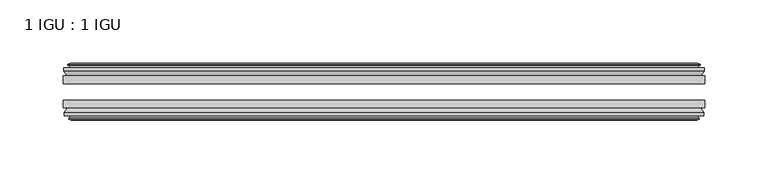
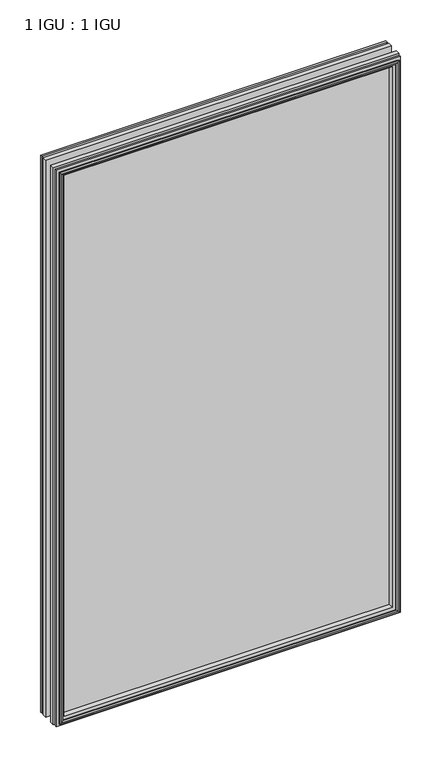
"""IFC4 building model written with IfcOpenShell, lengths in millimetres: plate geometry, 1 IGU : 1 IGU."""

from ifc_helpers import new_model, si_unit, frame, origin, place, context, project, spatial, polyline, outline, extrude, faceted_brep, source, transform, mapped, element, save


def plate_1_igu_1_igu_460e08af(model_context):
    return source(origin(), model_context, "Body", "SolidModel", [
        extrude(outline(polyline([(253.4841885, -19.5460937), (253.4841885, -25.8960938), (-253.4841885, -25.8960938), (-253.4841885, -19.5460937), (253.4841885, -19.5460937)])), frame((0.0, 0.0, -12.7), z_axis=(0.0, 0.0, 1.0), x_axis=(1.0, 0.0, 0.0)), (0.0, 0.0, 1.0), 863.6104046),
        extrude(outline(polyline([(-253.4841885, -44.9460938), (-253.4841885, -38.9186737), (253.4841885, -38.9186737), (253.4841885, -44.9460938), (-253.4841885, -44.9460938)])), frame((0.0, 0.0, -12.7), z_axis=(0.0, 0.0, 1.0), x_axis=(1.0, 0.0, 0.0)), (0.0, 0.0, 1.0), 863.6104046),
        faceted_brep([(-247.8961885, -53.6762907, 845.3224046), (-248.2771885, -51.2960937, 845.7034046), (-248.2771885, -51.2960937, -7.493), (-247.8961885, -53.6762907, -7.112), (-249.3117175, -53.2163575, 846.7379337), (-249.3117175, -53.2163575, -8.5275291), (-249.3117175, -54.0175717, 846.7379337), (-249.3117175, -54.0175717, -8.5275291), (-247.1341885, -54.7250937, 844.5604046), (-247.1341885, -54.7250937, -6.35), (-244.9566594, -54.0175717, 842.3828756), (-244.9566594, -54.0175717, -4.1724709), (-244.9566594, -53.2163575, 842.3828756), (-244.9566594, -53.2163575, -4.1724709), (-246.3721885, -53.6762907, 843.7984046), (-246.3721885, -53.6762907, -5.588), (-245.9911885, -51.2960937, 843.4174046), (-245.9911885, -51.2960937, -5.207), (-239.0664704, -44.9460937, 836.4926865), (-240.7841885, -51.2960937, 838.2104046), (-240.7841885, -51.2960937, 0.0), (-239.0664704, -44.9460937, 1.7177181), (-252.7221885, -48.3496937, 850.1484046), (-249.8878463, -44.9460937, 847.3140624), (-249.8878463, -44.9460937, -9.1036578), (-252.7221885, -48.3496937, -11.938), (-252.7221885, -51.2960937, 850.1484046), (-252.7221885, -51.2960937, -11.938), (248.2771885, -51.2960938, -7.493), (247.8961885, -53.6762907, -7.112), (249.3117175, -53.2163575, -8.5275291), (249.3117175, -54.0175717, -8.5275291), (247.1341885, -54.7250937, -6.35), (244.9566594, -54.0175717, -4.1724709), (244.9566594, -53.2163575, -4.1724709), (246.3721885, -53.6762907, -5.588), (245.9911885, -51.2960937, -5.207), (240.7841885, -51.2960937, 0.0), (239.0664704, -44.9460937, 1.7177181), (249.8878463, -44.9460937, -9.1036578), (252.7221885, -48.3496937, -11.938), (252.7221885, -51.2960938, -11.938), (248.2771885, -51.2960938, 845.7034046), (247.8961885, -53.6762907, 845.3224046), (249.3117175, -53.2163575, 846.7379337), (249.3117175, -54.0175717, 846.7379337), (247.1341885, -54.7250937, 844.5604046), (244.9566594, -54.0175717, 842.3828756), (244.9566594, -53.2163575, 842.3828756), (246.3721885, -53.6762907, 843.7984046), (245.9911885, -51.2960937, 843.4174046), (240.7841885, -51.2960937, 838.2104046), (239.0664704, -44.9460937, 836.4926865), (249.8878463, -44.9460937, 847.3140624), (252.7221885, -48.3496937, 850.1484046), (252.7221885, -51.2960938, 850.1484046)], [[[0, 1, 2, 3]], [[4, 0, 3, 5]], [[6, 4, 5, 7]], [[8, 6, 7, 9]], [[10, 8, 9, 11]], [[12, 10, 11, 13]], [[14, 12, 13, 15]], [[16, 14, 15, 17]], [[18, 19, 20, 21]], [[22, 23, 24, 25]], [[26, 22, 25, 27]], [[3, 2, 28, 29]], [[5, 3, 29, 30]], [[7, 5, 30, 31]], [[9, 7, 31, 32]], [[11, 9, 32, 33]], [[13, 11, 33, 34]], [[15, 13, 34, 35]], [[17, 15, 35, 36]], [[21, 20, 37, 38]], [[25, 24, 39, 40]], [[27, 25, 40, 41]], [[29, 28, 42, 43]], [[30, 29, 43, 44]], [[31, 30, 44, 45]], [[32, 31, 45, 46]], [[33, 32, 46, 47]], [[34, 33, 47, 48]], [[35, 34, 48, 49]], [[36, 35, 49, 50]], [[38, 37, 51, 52]], [[40, 39, 53, 54]], [[41, 40, 54, 55]], [[27, 41, 55, 26], [1, 42, 28, 2]], [[43, 42, 1, 0]], [[44, 43, 0, 4]], [[45, 44, 4, 6]], [[46, 45, 6, 8]], [[47, 46, 8, 10]], [[48, 47, 10, 12]], [[49, 48, 12, 14]], [[50, 49, 14, 16]], [[17, 36, 50, 16], [19, 51, 37, 20]], [[52, 51, 19, 18]], [[23, 53, 39, 24], [21, 38, 52, 18]], [[54, 53, 23, 22]], [[55, 54, 22, 26]]]),
        faceted_brep([(-250.4085463, -19.5460937, 847.8347624), (-253.2428885, -16.1424937, 850.6691046), (-253.2428885, -16.1424937, -12.4587), (-250.4085463, -19.5460937, -9.6243578), (-241.3048885, -13.1960937, 838.7311046), (-239.5871704, -19.5460937, 837.0133865), (-239.5871704, -19.5460937, 1.1970181), (-241.3048885, -13.1960937, -0.5207), (-246.8928885, -10.8158968, 844.3191046), (-246.5118885, -13.1960937, 843.9381046), (-246.5118885, -13.1960937, -5.7277), (-246.8928885, -10.8158968, -6.1087), (-245.4773594, -11.27583, 842.9035756), (-245.4773594, -11.27583, -4.6931709), (-245.4773594, -10.4746158, 842.9035756), (-245.4773594, -10.4746158, -4.6931709), (-247.6548885, -9.7670937, 845.0811046), (-247.6548885, -9.7670937, -6.8707), (-249.8324175, -10.4746158, 847.2586337), (-249.8324175, -10.4746158, -9.0482291), (-249.8324175, -11.27583, 847.2586337), (-249.8324175, -11.27583, -9.0482291), (-248.4168885, -10.8158968, 845.8431046), (-248.4168885, -10.8158968, -7.6327), (-248.7978885, -13.1960937, 846.2241046), (-248.7978885, -13.1960937, -8.0137), (-253.2428885, -13.1960937, 850.6691046), (-253.2428885, -13.1960937, -12.4587), (253.2428885, -16.1424937, -12.4587), (250.4085463, -19.5460937, -9.6243578), (239.5871704, -19.5460937, 1.1970181), (241.3048885, -13.1960937, -0.5207), (246.5118885, -13.1960937, -5.7277), (246.8928885, -10.8158968, -6.1087), (245.4773594, -11.27583, -4.6931709), (245.4773594, -10.4746158, -4.6931709), (247.6548885, -9.7670937, -6.8707), (249.8324175, -10.4746158, -9.0482291), (249.8324175, -11.27583, -9.0482291), (248.4168885, -10.8158968, -7.6327), (248.7978885, -13.1960937, -8.0137), (253.2428885, -13.1960937, -12.4587), (253.2428885, -16.1424937, 850.6691046), (250.4085463, -19.5460937, 847.8347624), (239.5871704, -19.5460937, 837.0133865), (241.3048885, -13.1960937, 838.7311046), (246.5118885, -13.1960937, 843.9381046), (246.8928885, -10.8158968, 844.3191046), (245.4773594, -11.27583, 842.9035756), (245.4773594, -10.4746158, 842.9035756), (247.6548885, -9.7670937, 845.0811046), (249.8324175, -10.4746158, 847.2586337), (249.8324175, -11.27583, 847.2586337), (248.4168885, -10.8158968, 845.8431046), (248.7978885, -13.1960937, 846.2241046), (253.2428885, -13.1960937, 850.6691046)], [[[0, 1, 2, 3]], [[4, 5, 6, 7]], [[8, 9, 10, 11]], [[12, 8, 11, 13]], [[14, 12, 13, 15]], [[16, 14, 15, 17]], [[18, 16, 17, 19]], [[20, 18, 19, 21]], [[22, 20, 21, 23]], [[24, 22, 23, 25]], [[1, 26, 27, 2]], [[3, 2, 28, 29]], [[7, 6, 30, 31]], [[11, 10, 32, 33]], [[13, 11, 33, 34]], [[15, 13, 34, 35]], [[17, 15, 35, 36]], [[19, 17, 36, 37]], [[21, 19, 37, 38]], [[23, 21, 38, 39]], [[25, 23, 39, 40]], [[2, 27, 41, 28]], [[29, 28, 42, 43]], [[31, 30, 44, 45]], [[33, 32, 46, 47]], [[34, 33, 47, 48]], [[35, 34, 48, 49]], [[36, 35, 49, 50]], [[37, 36, 50, 51]], [[38, 37, 51, 52]], [[39, 38, 52, 53]], [[40, 39, 53, 54]], [[28, 41, 55, 42]], [[43, 42, 1, 0]], [[3, 29, 43, 0], [5, 44, 30, 6]], [[45, 44, 5, 4]], [[9, 46, 32, 10], [7, 31, 45, 4]], [[47, 46, 9, 8]], [[48, 47, 8, 12]], [[49, 48, 12, 14]], [[50, 49, 14, 16]], [[51, 50, 16, 18]], [[52, 51, 18, 20]], [[53, 52, 20, 22]], [[54, 53, 22, 24]], [[26, 55, 41, 27], [25, 40, 54, 24]], [[42, 55, 26, 1]]]),
    ])


if __name__ == "__main__":
    model = new_model("IFC4")
    model_context = context("Model", 3, world=origin())
    ifc_project = project(units=[si_unit("LENGTHUNIT", "METRE", prefix="MILLI")], contexts=[model_context])
    site = spatial("IfcSite", under=ifc_project)
    building = spatial("IfcBuilding", under=site)
    placement = place(None, origin())
    plate_1_igu_1_igu_shape = plate_1_igu_1_igu_460e08af(model_context)
    element("IfcPlate", 1, ObjectType="1 IGU : 1 IGU", at=placement, inside=building, context=model_context, shape_type="MappedRepresentation", body=[
        mapped(plate_1_igu_1_igu_shape, transform((0.0, 0.0, 0.0), x_axis=(1.0, 0.0, 0.0), y_axis=(0.0, 1.0, 0.0), z_axis=(0.0, 0.0, 1.0))),
    ])
    save(model, "model.ifc")
